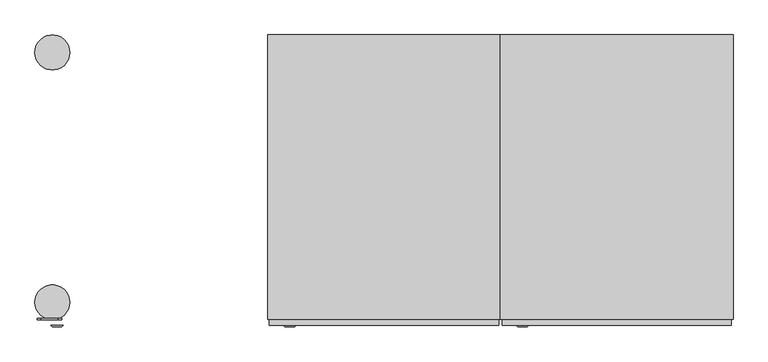
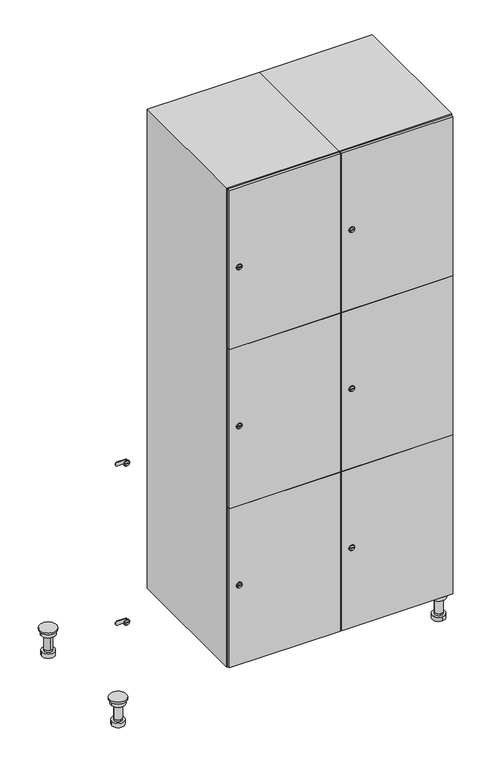
"""IFC4 building model written with IfcOpenShell, lengths in millimetres: furniture geometry."""

from ifc_helpers import new_model, si_unit, point, frame, frame_2d, origin, place, context, project, spatial, polyline, circle_curve, trimmed, segment, composite_curve, outline, extrude, faceted_brep, source, transform, mapped, element, save
from ifc_brep_helpers import plane_surface, cylinder_surface, revolved_surface, advanced_brep


def furniture_39b312ee(model_context):
    return source(origin(), model_context, "Body", "SolidModel", [
        advanced_brep(
        [(970.0, -201.0, 22.0), (970.0, -201.5, 16.0), (970.0, -228.5, 16.0), (970.0, -229.0, 22.0), (956.0, -215.0, 22.0), (984.0, -215.0, 22.0), (970.0, -192.5, 16.0), (970.0, -237.5, 16.0), (970.0, -192.5, 0.0), (970.0, -237.5, 0.0), (984.0, -215.0, 78.0), (956.0, -215.0, 78.0), (995.0, -215.0, 78.0), (945.0, -215.0, 78.0), (1000.0, -215.0, 94.0), (940.0, -215.0, 94.0), (945.0, -215.0, 94.0), (995.0, -215.0, 94.0), (1000.0, -215.0, 100.0), (940.0, -215.0, 100.0)],
        [
            (0, 1),
            (1, 2, circle_curve(frame((970.0, -215.0, 16.0), z_axis=(0.0, 0.0, 1.0), x_axis=(0.0, -1.0, 0.0)), 13.5)),
            (2, 3),
            (3, 4, circle_curve(frame((970.0, -215.0, 22.0), z_axis=(0.0, 0.0, -1.0), x_axis=(0.0, -1.0, 0.0)), 14.0)),
            (4, 0, circle_curve(frame((970.0, -215.0, 22.0), z_axis=(0.0, 0.0, -1.0), x_axis=(0.0, -1.0, 0.0)), 14.0)),
            (0, 5, circle_curve(frame((970.0, -215.0, 22.0), z_axis=(0.0, 0.0, -1.0), x_axis=(0.0, 1.0, 0.0)), 14.0)),
            (5, 3, circle_curve(frame((970.0, -215.0, 22.0), z_axis=(0.0, 0.0, -1.0), x_axis=(0.0, 1.0, 0.0)), 14.0)),
            (2, 1, circle_curve(frame((970.0, -215.0, 16.0), z_axis=(0.0, 0.0, 1.0), x_axis=(0.0, 1.0, 0.0)), 13.5)),
            (6, 7, circle_curve(frame((970.0, -215.0, 16.0), z_axis=(0.0, 0.0, 1.0), x_axis=(0.0, -1.0, 0.0)), 22.5)),
            (7, 6, circle_curve(frame((970.0, -215.0, 16.0), z_axis=(0.0, 0.0, 1.0), x_axis=(0.0, -1.0, 0.0)), 22.5)),
            (8, 9, circle_curve(frame((970.0, -215.0, 0.0), z_axis=(0.0, 0.0, -1.0), x_axis=(0.0, -1.0, 0.0)), 22.5)),
            (9, 8, circle_curve(frame((970.0, -215.0, 0.0), z_axis=(0.0, 0.0, -1.0), x_axis=(0.0, -1.0, 0.0)), 22.5)),
            (6, 8),
            (9, 7),
            (5, 10),
            (10, 11, circle_curve(frame((970.0, -215.0, 78.0), z_axis=(0.0, 0.0, -1.0), x_axis=(-1.0, 0.0, 0.0)), 14.0)),
            (11, 4),
            (11, 10, circle_curve(frame((970.0, -215.0, 78.0), z_axis=(0.0, 0.0, -1.0), x_axis=(-1.0, 0.0, 0.0)), 14.0)),
            (12, 13, circle_curve(frame((970.0, -215.0, 78.0), z_axis=(0.0, 0.0, -1.0), x_axis=(-1.0, 0.0, 0.0)), 25.0)),
            (13, 12, circle_curve(frame((970.0, -215.0, 78.0), z_axis=(0.0, 0.0, -1.0), x_axis=(-1.0, 0.0, 0.0)), 25.0)),
            (14, 15, circle_curve(frame((970.0, -215.0, 94.0), z_axis=(0.0, 0.0, -1.0), x_axis=(-1.0, 0.0, 0.0)), 30.0)),
            (15, 14, circle_curve(frame((970.0, -215.0, 94.0), z_axis=(0.0, 0.0, -1.0), x_axis=(-1.0, 0.0, 0.0)), 30.0)),
            (16, 17, circle_curve(frame((970.0, -215.0, 94.0), z_axis=(0.0, 0.0, 1.0), x_axis=(-1.0, 0.0, 0.0)), 25.0)),
            (17, 16, circle_curve(frame((970.0, -215.0, 94.0), z_axis=(0.0, 0.0, 1.0), x_axis=(-1.0, 0.0, 0.0)), 25.0)),
            (18, 19, circle_curve(frame((970.0, -215.0, 100.0), z_axis=(0.0, 0.0, 1.0), x_axis=(-1.0, 0.0, 0.0)), 30.0)),
            (19, 18, circle_curve(frame((970.0, -215.0, 100.0), z_axis=(0.0, 0.0, 1.0), x_axis=(-1.0, 0.0, 0.0)), 30.0)),
            (14, 18),
            (19, 15),
            (12, 17),
            (16, 13),
        ],
        [
            revolved_surface(polyline([(970.0, -201.5, 16.0), (970.0, -201.0, 22.0)]), (970.0, -215.0, -146.0), (0.0, 0.0, 1.0)),
            plane_surface(frame((970.0, 0.0, 16.0), z_axis=(0.0, 0.0, 1.0), x_axis=(0.0, -1.0, 0.0))),
            plane_surface(frame((970.0, 0.0, 0.0), z_axis=(0.0, 0.0, -1.0), x_axis=(0.0, -1.0, 0.0))),
            cylinder_surface(frame((970.0, -215.0, 16.0), z_axis=(0.0, 0.0, 1.0), x_axis=(0.0, -1.0, 0.0)), 22.5),
            cylinder_surface(frame((970.0, -215.0, 22.0), z_axis=(0.0, 0.0, -1.0), x_axis=(-1.0, 0.0, 0.0)), 14.0),
            plane_surface(frame((970.0, 0.0, 78.0), z_axis=(0.0, 0.0, -1.0), x_axis=(0.0, -1.0, 0.0))),
            plane_surface(frame((970.0, 0.0, 94.0), z_axis=(0.0, 0.0, -1.0), x_axis=(0.0, -1.0, 0.0))),
            plane_surface(frame((970.0, 0.0, 100.0), z_axis=(0.0, 0.0, 1.0), x_axis=(0.0, -1.0, 0.0))),
            cylinder_surface(frame((970.0, -215.0, 94.0), z_axis=(0.0, 0.0, -1.0), x_axis=(-1.0, 0.0, 0.0)), 30.0),
            cylinder_surface(frame((970.0, -215.0, 78.0), z_axis=(0.0, 0.0, -1.0), x_axis=(-1.0, 0.0, 0.0)), 25.0),
        ],
        [
            (0, [[1, 2, 3, 4, 5]]),
            (0, [[-1, 6, 7, -3, 8]]),
            (1, [[9, 10], [-2, -8]]),
            (2, [[11, 12]]),
            (3, [[-9, 13, -12, 14]]),
            (3, [[-10, -14, -11, -13]]),
            (4, [[15, 16, 17, -4, -7]]),
            (4, [[-15, -6, -5, -17, 18]]),
            (5, [[19, 20], [-16, -18]]),
            (6, [[21, 22], [23, 24]]),
            (7, [[25, 26]]),
            (8, [[-21, 27, -26, 28]]),
            (8, [[-22, -28, -25, -27]]),
            (9, [[-19, 29, -23, 30]]),
            (9, [[-20, -30, -24, -29]]),
        ],
    ),
        advanced_brep(
        [(-170.0, -201.0, 22.0), (-170.0, -201.5, 16.0), (-170.0, -228.5, 16.0), (-170.0, -229.0, 22.0), (-184.0, -215.0, 22.0), (-156.0, -215.0, 22.0), (-147.5, -215.0, 0.0), (-192.5, -215.0, 0.0), (-147.5, -215.0, 16.0), (-192.5, -215.0, 16.0), (-156.0, -215.0, 78.0), (-184.0, -215.0, 78.0), (-145.0, -215.0, 78.0), (-195.0, -215.0, 78.0), (-140.0, -215.0, 94.0), (-200.0, -215.0, 94.0), (-195.0, -215.0, 94.0), (-145.0, -215.0, 94.0), (-140.0, -215.0, 100.0), (-200.0, -215.0, 100.0)],
        [
            (0, 1),
            (1, 2, circle_curve(frame((-170.0, -215.0, 16.0), z_axis=(0.0, 0.0, 1.0), x_axis=(0.0, -1.0, 0.0)), 13.5)),
            (2, 3),
            (3, 4, circle_curve(frame((-170.0, -215.0, 22.0), z_axis=(0.0, 0.0, -1.0), x_axis=(0.0, -1.0, 0.0)), 14.0)),
            (4, 0, circle_curve(frame((-170.0, -215.0, 22.0), z_axis=(0.0, 0.0, -1.0), x_axis=(0.0, -1.0, 0.0)), 14.0)),
            (0, 5, circle_curve(frame((-170.0, -215.0, 22.0), z_axis=(0.0, 0.0, -1.0), x_axis=(0.0, 1.0, 0.0)), 14.0)),
            (5, 3, circle_curve(frame((-170.0, -215.0, 22.0), z_axis=(0.0, 0.0, -1.0), x_axis=(0.0, 1.0, 0.0)), 14.0)),
            (2, 1, circle_curve(frame((-170.0, -215.0, 16.0), z_axis=(0.0, 0.0, 1.0), x_axis=(0.0, 1.0, 0.0)), 13.5)),
            (6, 7, circle_curve(frame((-170.0, -215.0, 0.0), z_axis=(0.0, 0.0, -1.0), x_axis=(-1.0, 0.0, 0.0)), 22.5)),
            (7, 6, circle_curve(frame((-170.0, -215.0, 0.0), z_axis=(0.0, 0.0, -1.0), x_axis=(-1.0, 0.0, 0.0)), 22.5)),
            (8, 9, circle_curve(frame((-170.0, -215.0, 16.0), z_axis=(0.0, 0.0, 1.0), x_axis=(-1.0, 0.0, 0.0)), 22.5)),
            (9, 8, circle_curve(frame((-170.0, -215.0, 16.0), z_axis=(0.0, 0.0, 1.0), x_axis=(-1.0, 0.0, 0.0)), 22.5)),
            (6, 8),
            (9, 7),
            (5, 10),
            (10, 11, circle_curve(frame((-170.0, -215.0, 78.0), z_axis=(0.0, 0.0, -1.0), x_axis=(-1.0, 0.0, 0.0)), 14.0)),
            (11, 4),
            (11, 10, circle_curve(frame((-170.0, -215.0, 78.0), z_axis=(0.0, 0.0, -1.0), x_axis=(-1.0, 0.0, 0.0)), 14.0)),
            (12, 13, circle_curve(frame((-170.0, -215.0, 78.0), z_axis=(0.0, 0.0, -1.0), x_axis=(-1.0, 0.0, 0.0)), 25.0)),
            (13, 12, circle_curve(frame((-170.0, -215.0, 78.0), z_axis=(0.0, 0.0, -1.0), x_axis=(-1.0, 0.0, 0.0)), 25.0)),
            (14, 15, circle_curve(frame((-170.0, -215.0, 94.0), z_axis=(0.0, 0.0, -1.0), x_axis=(-1.0, 0.0, 0.0)), 30.0)),
            (15, 14, circle_curve(frame((-170.0, -215.0, 94.0), z_axis=(0.0, 0.0, -1.0), x_axis=(-1.0, 0.0, 0.0)), 30.0)),
            (16, 17, circle_curve(frame((-170.0, -215.0, 94.0), z_axis=(0.0, 0.0, 1.0), x_axis=(-1.0, 0.0, 0.0)), 25.0)),
            (17, 16, circle_curve(frame((-170.0, -215.0, 94.0), z_axis=(0.0, 0.0, 1.0), x_axis=(-1.0, 0.0, 0.0)), 25.0)),
            (18, 19, circle_curve(frame((-170.0, -215.0, 100.0), z_axis=(0.0, 0.0, 1.0), x_axis=(-1.0, 0.0, 0.0)), 30.0)),
            (19, 18, circle_curve(frame((-170.0, -215.0, 100.0), z_axis=(0.0, 0.0, 1.0), x_axis=(-1.0, 0.0, 0.0)), 30.0)),
            (14, 18),
            (19, 15),
            (12, 17),
            (16, 13),
        ],
        [
            revolved_surface(polyline([(-170.0, -201.5, 16.0), (-170.0, -201.0, 22.0)]), (-170.0, -215.0, -146.0), (0.0, 0.0, 1.0)),
            plane_surface(frame((-170.0, 0.0, 0.0), z_axis=(0.0, 0.0, -1.0), x_axis=(0.0, -1.0, 0.0))),
            plane_surface(frame((-170.0, 0.0, 16.0), z_axis=(0.0, 0.0, 1.0), x_axis=(0.0, -1.0, 0.0))),
            cylinder_surface(frame((-170.0, -215.0, 0.0), z_axis=(0.0, 0.0, -1.0), x_axis=(-1.0, 0.0, 0.0)), 22.5),
            cylinder_surface(frame((-170.0, -215.0, 22.0), z_axis=(0.0, 0.0, -1.0), x_axis=(-1.0, 0.0, 0.0)), 14.0),
            plane_surface(frame((-170.0, 0.0, 78.0), z_axis=(0.0, 0.0, -1.0), x_axis=(0.0, -1.0, 0.0))),
            plane_surface(frame((-170.0, 0.0, 94.0), z_axis=(0.0, 0.0, -1.0), x_axis=(0.0, -1.0, 0.0))),
            plane_surface(frame((-170.0, 0.0, 100.0), z_axis=(0.0, 0.0, 1.0), x_axis=(0.0, -1.0, 0.0))),
            cylinder_surface(frame((-170.0, -215.0, 94.0), z_axis=(0.0, 0.0, -1.0), x_axis=(-1.0, 0.0, 0.0)), 30.0),
            cylinder_surface(frame((-170.0, -215.0, 78.0), z_axis=(0.0, 0.0, -1.0), x_axis=(-1.0, 0.0, 0.0)), 25.0),
        ],
        [
            (0, [[1, 2, 3, 4, 5]]),
            (0, [[-1, 6, 7, -3, 8]]),
            (1, [[9, 10]]),
            (2, [[11, 12], [-2, -8]]),
            (3, [[-9, 13, -12, 14]]),
            (3, [[-10, -14, -11, -13]]),
            (4, [[15, 16, 17, -4, -7]]),
            (4, [[-15, -6, -5, -17, 18]]),
            (5, [[19, 20], [-16, -18]]),
            (6, [[21, 22], [23, 24]]),
            (7, [[25, 26]]),
            (8, [[-21, 27, -26, 28]]),
            (8, [[-22, -28, -25, -27]]),
            (9, [[-19, 29, -23, 30]]),
            (9, [[-20, -30, -24, -29]]),
        ],
    ),
        advanced_brep(
        [(983.5, 215.0, 16.0), (984.0, 215.0, 22.0), (956.0, 215.0, 22.0), (956.5, 215.0, 16.0), (992.5, 215.0, 0.0), (947.5, 215.0, 0.0), (992.5, 215.0, 16.0), (947.5, 215.0, 16.0), (984.0, 215.0, 78.0), (956.0, 215.0, 78.0), (995.0, 215.0, 78.0), (945.0, 215.0, 78.0), (1000.0, 215.0, 94.0), (940.0, 215.0, 94.0), (945.0, 215.0, 94.0), (995.0, 215.0, 94.0), (1000.0, 215.0, 100.0), (940.0, 215.0, 100.0)],
        [
            (0, 1),
            (1, 2, circle_curve(frame((970.0, 215.0, 22.0), z_axis=(0.0, 0.0, -1.0), x_axis=(-1.0, 0.0, 0.0)), 14.0)),
            (2, 3),
            (3, 0, circle_curve(frame((970.0, 215.0, 16.0), z_axis=(0.0, 0.0, 1.0), x_axis=(-1.0, 0.0, 0.0)), 13.5)),
            (0, 3, circle_curve(frame((970.0, 215.0, 16.0), z_axis=(0.0, 0.0, 1.0), x_axis=(1.0, 0.0, 0.0)), 13.5)),
            (2, 1, circle_curve(frame((970.0, 215.0, 22.0), z_axis=(0.0, 0.0, -1.0), x_axis=(1.0, 0.0, 0.0)), 14.0)),
            (4, 5, circle_curve(frame((970.0, 215.0, 0.0), z_axis=(0.0, 0.0, -1.0), x_axis=(-1.0, 0.0, 0.0)), 22.5)),
            (5, 4, circle_curve(frame((970.0, 215.0, 0.0), z_axis=(0.0, 0.0, -1.0), x_axis=(-1.0, 0.0, 0.0)), 22.5)),
            (6, 7, circle_curve(frame((970.0, 215.0, 16.0), z_axis=(0.0, 0.0, 1.0), x_axis=(-1.0, 0.0, 0.0)), 22.5)),
            (7, 6, circle_curve(frame((970.0, 215.0, 16.0), z_axis=(0.0, 0.0, 1.0), x_axis=(-1.0, 0.0, 0.0)), 22.5)),
            (4, 6),
            (7, 5),
            (1, 8),
            (8, 9, circle_curve(frame((970.0, 215.0, 78.0), z_axis=(0.0, 0.0, -1.0), x_axis=(-1.0, 0.0, 0.0)), 14.0)),
            (9, 2),
            (9, 8, circle_curve(frame((970.0, 215.0, 78.0), z_axis=(0.0, 0.0, -1.0), x_axis=(-1.0, 0.0, 0.0)), 14.0)),
            (10, 11, circle_curve(frame((970.0, 215.0, 78.0), z_axis=(0.0, 0.0, -1.0), x_axis=(-1.0, 0.0, 0.0)), 25.0)),
            (11, 10, circle_curve(frame((970.0, 215.0, 78.0), z_axis=(0.0, 0.0, -1.0), x_axis=(-1.0, 0.0, 0.0)), 25.0)),
            (12, 13, circle_curve(frame((970.0, 215.0, 94.0), z_axis=(0.0, 0.0, -1.0), x_axis=(-1.0, 0.0, 0.0)), 30.0)),
            (13, 12, circle_curve(frame((970.0, 215.0, 94.0), z_axis=(0.0, 0.0, -1.0), x_axis=(-1.0, 0.0, 0.0)), 30.0)),
            (14, 15, circle_curve(frame((970.0, 215.0, 94.0), z_axis=(0.0, 0.0, 1.0), x_axis=(-1.0, 0.0, 0.0)), 25.0)),
            (15, 14, circle_curve(frame((970.0, 215.0, 94.0), z_axis=(0.0, 0.0, 1.0), x_axis=(-1.0, 0.0, 0.0)), 25.0)),
            (16, 17, circle_curve(frame((970.0, 215.0, 100.0), z_axis=(0.0, 0.0, 1.0), x_axis=(-1.0, 0.0, 0.0)), 30.0)),
            (17, 16, circle_curve(frame((970.0, 215.0, 100.0), z_axis=(0.0, 0.0, 1.0), x_axis=(-1.0, 0.0, 0.0)), 30.0)),
            (12, 16),
            (17, 13),
            (10, 15),
            (14, 11),
        ],
        [
            revolved_surface(polyline([(983.5, 215.0, 16.0), (984.0, 215.0, 22.0)]), (970.0, 215.0, -146.0), (0.0, 0.0, 1.0)),
            plane_surface(frame((970.0, 0.0, 0.0), z_axis=(0.0, 0.0, -1.0), x_axis=(0.0, -1.0, 0.0))),
            plane_surface(frame((970.0, 0.0, 16.0), z_axis=(0.0, 0.0, 1.0), x_axis=(0.0, -1.0, 0.0))),
            cylinder_surface(frame((970.0, 215.0, 0.0), z_axis=(0.0, 0.0, -1.0), x_axis=(-1.0, 0.0, 0.0)), 22.5),
            cylinder_surface(frame((970.0, 215.0, 22.0), z_axis=(0.0, 0.0, -1.0), x_axis=(-1.0, 0.0, 0.0)), 14.0),
            plane_surface(frame((970.0, 0.0, 78.0), z_axis=(0.0, 0.0, -1.0), x_axis=(0.0, -1.0, 0.0))),
            plane_surface(frame((970.0, 0.0, 94.0), z_axis=(0.0, 0.0, -1.0), x_axis=(0.0, -1.0, 0.0))),
            plane_surface(frame((970.0, 0.0, 100.0), z_axis=(0.0, 0.0, 1.0), x_axis=(0.0, -1.0, 0.0))),
            cylinder_surface(frame((970.0, 215.0, 94.0), z_axis=(0.0, 0.0, -1.0), x_axis=(-1.0, 0.0, 0.0)), 30.0),
            cylinder_surface(frame((970.0, 215.0, 78.0), z_axis=(0.0, 0.0, -1.0), x_axis=(-1.0, 0.0, 0.0)), 25.0),
        ],
        [
            (0, [[1, 2, 3, 4]]),
            (0, [[-1, 5, -3, 6]]),
            (1, [[7, 8]]),
            (2, [[9, 10], [-4, -5]]),
            (3, [[-7, 11, -10, 12]]),
            (3, [[-8, -12, -9, -11]]),
            (4, [[13, 14, 15, -2]]),
            (4, [[-13, -6, -15, 16]]),
            (5, [[17, 18], [-14, -16]]),
            (6, [[19, 20], [21, 22]]),
            (7, [[23, 24]]),
            (8, [[-19, 25, -24, 26]]),
            (8, [[-20, -26, -23, -25]]),
            (9, [[-17, 27, -21, 28]]),
            (9, [[-18, -28, -22, -27]]),
        ],
    ),
        advanced_brep(
        [(-156.5, 215.0, 16.0), (-156.0, 215.0, 22.0), (-170.0, 201.0, 22.0), (-184.0, 215.0, 22.0), (-183.5, 215.0, 16.0), (-170.0, 229.0, 22.0), (-147.5, 215.0, 0.0), (-192.5, 215.0, 0.0), (-147.5, 215.0, 16.0), (-192.5, 215.0, 16.0), (-170.0, 229.0, 78.0), (-170.0, 201.0, 78.0), (-145.0, 215.0, 78.0), (-195.0, 215.0, 78.0), (-140.0, 215.0, 94.0), (-200.0, 215.0, 94.0), (-195.0, 215.0, 94.0), (-145.0, 215.0, 94.0), (-140.0, 215.0, 100.0), (-200.0, 215.0, 100.0)],
        [
            (0, 1),
            (1, 2, circle_curve(frame((-170.0, 215.0, 22.0), z_axis=(0.0, 0.0, -1.0), x_axis=(-1.0, 0.0, 0.0)), 14.0)),
            (2, 3, circle_curve(frame((-170.0, 215.0, 22.0), z_axis=(0.0, 0.0, -1.0), x_axis=(-1.0, 0.0, 0.0)), 14.0)),
            (3, 4),
            (4, 0, circle_curve(frame((-170.0, 215.0, 16.0), z_axis=(0.0, 0.0, 1.0), x_axis=(-1.0, 0.0, 0.0)), 13.5)),
            (0, 4, circle_curve(frame((-170.0, 215.0, 16.0), z_axis=(0.0, 0.0, 1.0), x_axis=(1.0, 0.0, 0.0)), 13.5)),
            (3, 5, circle_curve(frame((-170.0, 215.0, 22.0), z_axis=(0.0, 0.0, -1.0), x_axis=(1.0, 0.0, 0.0)), 14.0)),
            (5, 1, circle_curve(frame((-170.0, 215.0, 22.0), z_axis=(0.0, 0.0, -1.0), x_axis=(1.0, 0.0, 0.0)), 14.0)),
            (6, 7, circle_curve(frame((-170.0, 215.0, 0.0), z_axis=(0.0, 0.0, -1.0), x_axis=(-1.0, 0.0, 0.0)), 22.5)),
            (7, 6, circle_curve(frame((-170.0, 215.0, 0.0), z_axis=(0.0, 0.0, -1.0), x_axis=(-1.0, 0.0, 0.0)), 22.5)),
            (8, 9, circle_curve(frame((-170.0, 215.0, 16.0), z_axis=(0.0, 0.0, 1.0), x_axis=(-1.0, 0.0, 0.0)), 22.5)),
            (9, 8, circle_curve(frame((-170.0, 215.0, 16.0), z_axis=(0.0, 0.0, 1.0), x_axis=(-1.0, 0.0, 0.0)), 22.5)),
            (6, 8),
            (9, 7),
            (10, 5),
            (2, 11),
            (11, 10, circle_curve(frame((-170.0, 215.0, 78.0), z_axis=(0.0, 0.0, -1.0), x_axis=(0.0, -1.0, 0.0)), 14.0)),
            (10, 11, circle_curve(frame((-170.0, 215.0, 78.0), z_axis=(0.0, 0.0, -1.0), x_axis=(0.0, -1.0, 0.0)), 14.0)),
            (12, 13, circle_curve(frame((-170.0, 215.0, 78.0), z_axis=(0.0, 0.0, -1.0), x_axis=(-1.0, 0.0, 0.0)), 25.0)),
            (13, 12, circle_curve(frame((-170.0, 215.0, 78.0), z_axis=(0.0, 0.0, -1.0), x_axis=(-1.0, 0.0, 0.0)), 25.0)),
            (14, 15, circle_curve(frame((-170.0, 215.0, 94.0), z_axis=(0.0, 0.0, -1.0), x_axis=(-1.0, 0.0, 0.0)), 30.0)),
            (15, 14, circle_curve(frame((-170.0, 215.0, 94.0), z_axis=(0.0, 0.0, -1.0), x_axis=(-1.0, 0.0, 0.0)), 30.0)),
            (16, 17, circle_curve(frame((-170.0, 215.0, 94.0), z_axis=(0.0, 0.0, 1.0), x_axis=(-1.0, 0.0, 0.0)), 25.0)),
            (17, 16, circle_curve(frame((-170.0, 215.0, 94.0), z_axis=(0.0, 0.0, 1.0), x_axis=(-1.0, 0.0, 0.0)), 25.0)),
            (18, 19, circle_curve(frame((-170.0, 215.0, 100.0), z_axis=(0.0, 0.0, 1.0), x_axis=(-1.0, 0.0, 0.0)), 30.0)),
            (19, 18, circle_curve(frame((-170.0, 215.0, 100.0), z_axis=(0.0, 0.0, 1.0), x_axis=(-1.0, 0.0, 0.0)), 30.0)),
            (14, 18),
            (19, 15),
            (12, 17),
            (16, 13),
        ],
        [
            revolved_surface(polyline([(-156.5, 215.0, 16.0), (-156.0, 215.0, 22.0)]), (-170.0, 215.0, -146.0), (0.0, 0.0, 1.0)),
            plane_surface(frame((-170.0, 0.0, 0.0), z_axis=(0.0, 0.0, -1.0), x_axis=(0.0, -1.0, 0.0))),
            plane_surface(frame((-170.0, 0.0, 16.0), z_axis=(0.0, 0.0, 1.0), x_axis=(0.0, -1.0, 0.0))),
            cylinder_surface(frame((-170.0, 215.0, 0.0), z_axis=(0.0, 0.0, -1.0), x_axis=(-1.0, 0.0, 0.0)), 22.5),
            cylinder_surface(frame((-170.0, 215.0, 78.0), z_axis=(0.0, 0.0, 1.0), x_axis=(0.0, -1.0, 0.0)), 14.0),
            plane_surface(frame((-170.0, 0.0, 78.0), z_axis=(0.0, 0.0, -1.0), x_axis=(0.0, -1.0, 0.0))),
            plane_surface(frame((-170.0, 0.0, 94.0), z_axis=(0.0, 0.0, -1.0), x_axis=(0.0, -1.0, 0.0))),
            plane_surface(frame((-170.0, 0.0, 100.0), z_axis=(0.0, 0.0, 1.0), x_axis=(0.0, -1.0, 0.0))),
            cylinder_surface(frame((-170.0, 215.0, 94.0), z_axis=(0.0, 0.0, -1.0), x_axis=(-1.0, 0.0, 0.0)), 30.0),
            cylinder_surface(frame((-170.0, 215.0, 78.0), z_axis=(0.0, 0.0, -1.0), x_axis=(-1.0, 0.0, 0.0)), 25.0),
        ],
        [
            (0, [[1, 2, 3, 4, 5]]),
            (0, [[-1, 6, -4, 7, 8]]),
            (1, [[9, 10]]),
            (2, [[11, 12], [-5, -6]]),
            (3, [[-9, 13, -12, 14]]),
            (3, [[-10, -14, -11, -13]]),
            (4, [[15, -7, -3, 16, 17]]),
            (4, [[-15, 18, -16, -2, -8]]),
            (5, [[19, 20], [-17, -18]]),
            (6, [[21, 22], [23, 24]]),
            (7, [[25, 26]]),
            (8, [[-21, 27, -26, 28]]),
            (8, [[-22, -28, -25, -27]]),
            (9, [[-19, 29, -23, 30]]),
            (9, [[-20, -30, -24, -29]]),
        ],
    ),
        extrude(outline(composite_curve([segment(trimmed(circle_curve(frame_2d((402.0, 611.2010534)), 7.0), [point((409.0, 611.2010534))], [point((395.0, 611.2010534))], False, "CARTESIAN"), True, "CONTINUOUS"), segment(polyline([(395.0, 611.2010534), (395.0, 639.2010534)]), True, "CONTINUOUS"), segment(trimmed(circle_curve(frame_2d((402.0, 639.2010534)), 7.0), [point((395.0, 639.2010534))], [point((409.0, 639.2010534))], False, "CARTESIAN"), True, "CONTINUOUS"), segment(polyline([(409.0, 639.2010534), (409.0, 611.2010534)]), True, "CONTINUOUS")], self_intersect=False)), frame((0.0, -245.0, 0.0), z_axis=(0.0, 1.0, 0.0), x_axis=(0.0, 0.0, 1.0)), (0.0, 0.0, 1.0), 2.0),
        advanced_brep(
        [(646.5, -257.2, 402.0), (629.5, -257.2, 402.0), (633.0, -257.2, 400.75), (633.0, -257.2, 403.25), (643.0, -257.2, 403.25), (643.0, -257.2, 400.75), (648.5, -255.0, 402.0), (627.5, -255.0, 402.0), (633.0, -255.0, 403.25), (633.0, -255.0, 400.75), (643.0, -255.0, 400.75), (643.0, -255.0, 403.25)],
        [
            (0, 1, circle_curve(frame((638.0, -257.2, 402.0), z_axis=(0.0, -1.0, 0.0), x_axis=(1.0, 0.0, 0.0)), 8.5)),
            (1, 0, circle_curve(frame((638.0, -257.2, 402.0), z_axis=(0.0, -1.0, 0.0), x_axis=(-1.0, 0.0, 0.0)), 8.5)),
            (2, 3),
            (3, 4),
            (4, 5),
            (5, 2),
            (6, 7, circle_curve(frame((638.0, -255.0, 402.0), z_axis=(0.0, 1.0, 0.0), x_axis=(-1.0, 0.0, 0.0)), 10.5)),
            (7, 6, circle_curve(frame((638.0, -255.0, 402.0), z_axis=(0.0, 1.0, 0.0), x_axis=(1.0, 0.0, 0.0)), 10.5)),
            (8, 9),
            (9, 10),
            (10, 11),
            (11, 8),
            (0, 6),
            (7, 1),
            (8, 3),
            (2, 9),
            (11, 4),
            (10, 5),
        ],
        [
            plane_surface(frame((638.0, -257.2, 402.0), z_axis=(0.0, -1.0, 0.0), x_axis=(0.0, 0.0, 1.0))),
            plane_surface(frame((638.0, -255.0, 402.0), z_axis=(0.0, 1.0, 0.0), x_axis=(0.0, 0.0, 1.0))),
            revolved_surface(polyline([(646.5, -257.2, 402.0), (648.5, -255.0, 402.0)]), (638.0, -266.55, 402.0), (0.0, 1.0, 0.0)),
            revolved_surface(polyline([(629.5, -257.2, 402.0), (627.5, -255.0, 402.0)]), (638.0, -266.55, 402.0), (0.0, 1.0, 0.0)),
            plane_surface(frame((633.0, -255.0, 400.75), z_axis=(1.0, 0.0, 0.0), x_axis=(0.0, -1.0, 0.0))),
            plane_surface(frame((633.0, -255.0, 403.25), z_axis=(0.0, 0.0, -1.0), x_axis=(0.0, -1.0, 0.0))),
            plane_surface(frame((643.0, -255.0, 403.25), z_axis=(-1.0, 0.0, 0.0), x_axis=(0.0, -1.0, 0.0))),
            plane_surface(frame((643.0, -255.0, 400.75), z_axis=(0.0, 0.0, 1.0), x_axis=(0.0, -1.0, 0.0))),
        ],
        [
            (0, [[1, 2], [3, 4, 5, 6]]),
            (1, [[7, 8], [9, 10, 11, 12]]),
            (2, [[-1, 13, -8, 14]]),
            (3, [[-2, -14, -7, -13]]),
            (4, [[15, -3, 16, -9]]),
            (5, [[-15, -12, 17, -4]]),
            (6, [[-17, -11, 18, -5]]),
            (7, [[-16, -6, -18, -10]]),
        ],
    ),
        extrude(outline(composite_curve([segment(trimmed(circle_curve(frame_2d((1000.0, 611.2010534)), 7.0), [point((1007.0, 611.2010534))], [point((993.0, 611.2010534))], False, "CARTESIAN"), True, "CONTINUOUS"), segment(polyline([(993.0, 611.2010534), (993.0, 639.2010534)]), True, "CONTINUOUS"), segment(trimmed(circle_curve(frame_2d((1000.0, 639.2010534)), 7.0), [point((993.0, 639.2010534))], [point((1007.0, 639.2010534))], False, "CARTESIAN"), True, "CONTINUOUS"), segment(polyline([(1007.0, 639.2010534), (1007.0, 611.2010534)]), True, "CONTINUOUS")], self_intersect=False)), frame((0.0, -245.0, 0.0), z_axis=(0.0, 1.0, 0.0), x_axis=(0.0, 0.0, 1.0)), (0.0, 0.0, 1.0), 2.0),
        advanced_brep(
        [(646.5, -257.2, 1000.0), (629.5, -257.2, 1000.0), (633.0, -257.2, 998.75), (633.0, -257.2, 1001.25), (643.0, -257.2, 1001.25), (643.0, -257.2, 998.75), (648.5, -255.0, 1000.0), (627.5, -255.0, 1000.0), (633.0, -255.0, 1001.25), (633.0, -255.0, 998.75), (643.0, -255.0, 998.75), (643.0, -255.0, 1001.25)],
        [
            (0, 1, circle_curve(frame((638.0, -257.2, 1000.0), z_axis=(0.0, -1.0, 0.0), x_axis=(1.0, 0.0, 0.0)), 8.5)),
            (1, 0, circle_curve(frame((638.0, -257.2, 1000.0), z_axis=(0.0, -1.0, 0.0), x_axis=(-1.0, 0.0, 0.0)), 8.5)),
            (2, 3),
            (3, 4),
            (4, 5),
            (5, 2),
            (6, 7, circle_curve(frame((638.0, -255.0, 1000.0), z_axis=(0.0, 1.0, 0.0), x_axis=(-1.0, 0.0, 0.0)), 10.5)),
            (7, 6, circle_curve(frame((638.0, -255.0, 1000.0), z_axis=(0.0, 1.0, 0.0), x_axis=(1.0, 0.0, 0.0)), 10.5)),
            (8, 9),
            (9, 10),
            (10, 11),
            (11, 8),
            (0, 6),
            (7, 1),
            (8, 3),
            (2, 9),
            (11, 4),
            (10, 5),
        ],
        [
            plane_surface(frame((638.0, -257.2, 1000.0), z_axis=(0.0, -1.0, 0.0), x_axis=(0.0, 0.0, 1.0))),
            plane_surface(frame((638.0, -255.0, 1000.0), z_axis=(0.0, 1.0, 0.0), x_axis=(0.0, 0.0, 1.0))),
            revolved_surface(polyline([(646.5, -257.2, 1000.0), (648.5, -255.0, 1000.0)]), (638.0, -266.55, 1000.0), (0.0, 1.0, 0.0)),
            revolved_surface(polyline([(629.5, -257.2, 1000.0), (627.5, -255.0, 1000.0)]), (638.0, -266.55, 1000.0), (0.0, 1.0, 0.0)),
            plane_surface(frame((633.0, -255.0, 998.75), z_axis=(1.0, 0.0, 0.0), x_axis=(0.0, -1.0, 0.0))),
            plane_surface(frame((633.0, -255.0, 1001.25), z_axis=(0.0, 0.0, -1.0), x_axis=(0.0, -1.0, 0.0))),
            plane_surface(frame((643.0, -255.0, 1001.25), z_axis=(-1.0, 0.0, 0.0), x_axis=(0.0, -1.0, 0.0))),
            plane_surface(frame((643.0, -255.0, 998.75), z_axis=(0.0, 0.0, 1.0), x_axis=(0.0, -1.0, 0.0))),
        ],
        [
            (0, [[1, 2], [3, 4, 5, 6]]),
            (1, [[7, 8], [9, 10, 11, 12]]),
            (2, [[-1, 13, -8, 14]]),
            (3, [[-2, -14, -7, -13]]),
            (4, [[15, -3, 16, -9]]),
            (5, [[-15, -12, 17, -4]]),
            (6, [[-17, -11, 18, -5]]),
            (7, [[-16, -6, -18, -10]]),
        ],
    ),
        extrude(outline(composite_curve([segment(trimmed(circle_curve(frame_2d((1598.0, 611.2010534)), 7.0), [point((1605.0, 611.2010534))], [point((1591.0, 611.2010534))], False, "CARTESIAN"), True, "CONTINUOUS"), segment(polyline([(1591.0, 611.2010534), (1591.0, 639.2010534)]), True, "CONTINUOUS"), segment(trimmed(circle_curve(frame_2d((1598.0, 639.2010534)), 7.0), [point((1591.0, 639.2010534))], [point((1605.0, 639.2010534))], False, "CARTESIAN"), True, "CONTINUOUS"), segment(polyline([(1605.0, 639.2010534), (1605.0, 611.2010534)]), True, "CONTINUOUS")], self_intersect=False)), frame((0.0, -245.0, 0.0), z_axis=(0.0, 1.0, 0.0), x_axis=(0.0, 0.0, 1.0)), (0.0, 0.0, 1.0), 2.0),
        advanced_brep(
        [(646.5, -257.2, 1598.0), (629.5, -257.2, 1598.0), (633.0, -257.2, 1596.75), (633.0, -257.2, 1599.25), (643.0, -257.2, 1599.25), (643.0, -257.2, 1596.75), (648.5, -255.0, 1598.0), (627.5, -255.0, 1598.0), (633.0, -255.0, 1599.25), (633.0, -255.0, 1596.75), (643.0, -255.0, 1596.75), (643.0, -255.0, 1599.25)],
        [
            (0, 1, circle_curve(frame((638.0, -257.2, 1598.0), z_axis=(0.0, -1.0, 0.0), x_axis=(1.0, 0.0, 0.0)), 8.5)),
            (1, 0, circle_curve(frame((638.0, -257.2, 1598.0), z_axis=(0.0, -1.0, 0.0), x_axis=(-1.0, 0.0, 0.0)), 8.5)),
            (2, 3),
            (3, 4),
            (4, 5),
            (5, 2),
            (6, 7, circle_curve(frame((638.0, -255.0, 1598.0), z_axis=(0.0, 1.0, 0.0), x_axis=(-1.0, 0.0, 0.0)), 10.5)),
            (7, 6, circle_curve(frame((638.0, -255.0, 1598.0), z_axis=(0.0, 1.0, 0.0), x_axis=(1.0, 0.0, 0.0)), 10.5)),
            (8, 9),
            (9, 10),
            (10, 11),
            (11, 8),
            (0, 6),
            (7, 1),
            (8, 3),
            (2, 9),
            (11, 4),
            (10, 5),
        ],
        [
            plane_surface(frame((638.0, -257.2, 1598.0), z_axis=(0.0, -1.0, 0.0), x_axis=(0.0, 0.0, 1.0))),
            plane_surface(frame((638.0, -255.0, 1598.0), z_axis=(0.0, 1.0, 0.0), x_axis=(0.0, 0.0, 1.0))),
            revolved_surface(polyline([(646.5, -257.2, 1598.0), (648.5, -255.0, 1598.0)]), (638.0, -266.55, 1598.0), (0.0, 1.0, 0.0)),
            revolved_surface(polyline([(629.5, -257.2, 1598.0), (627.5, -255.0, 1598.0)]), (638.0, -266.55, 1598.0), (0.0, 1.0, 0.0)),
            plane_surface(frame((633.0, -255.0, 1596.75), z_axis=(1.0, 0.0, 0.0), x_axis=(0.0, -1.0, 0.0))),
            plane_surface(frame((633.0, -255.0, 1599.25), z_axis=(0.0, 0.0, -1.0), x_axis=(0.0, -1.0, 0.0))),
            plane_surface(frame((643.0, -255.0, 1599.25), z_axis=(-1.0, 0.0, 0.0), x_axis=(0.0, -1.0, 0.0))),
            plane_surface(frame((643.0, -255.0, 1596.75), z_axis=(0.0, 0.0, 1.0), x_axis=(0.0, -1.0, 0.0))),
        ],
        [
            (0, [[1, 2], [3, 4, 5, 6]]),
            (1, [[7, 8], [9, 10, 11, 12]]),
            (2, [[-1, 13, -8, 14]]),
            (3, [[-2, -14, -7, -13]]),
            (4, [[15, -3, 16, -9]]),
            (5, [[-15, -12, 17, -4]]),
            (6, [[-17, -11, 18, -5]]),
            (7, [[-16, -6, -18, -10]]),
        ],
    ),
        extrude(outline(polyline([(997.0, -245.0), (997.0, -255.0), (603.0, -255.0), (603.0, -245.0), (997.0, -245.0)])), frame((0.0, 0.0, 701.5), z_axis=(0.0, 0.0, 1.0), x_axis=(1.0, 0.0, 0.0)), (0.0, 0.0, 1.0), 597.0),
        extrude(outline(polyline([(603.0, -255.0), (603.0, -245.0), (997.0, -245.0), (997.0, -255.0), (603.0, -255.0)])), frame((0.0, 0.0, 1299.5), z_axis=(0.0, 0.0, 1.0), x_axis=(1.0, 0.0, 0.0)), (0.0, 0.0, 1.0), 597.5),
        extrude(outline(polyline([(997.0, -245.0), (997.0, -255.0), (603.0, -255.0), (603.0, -245.0), (997.0, -245.0)])), frame((0.0, 0.0, 103.0), z_axis=(0.0, 0.0, 1.0), x_axis=(1.0, 0.0, 0.0)), (0.0, 0.0, 1.0), 597.5),
        extrude(outline(polyline([(990.0, 241.0), (990.0, -235.0), (610.0, -235.0), (610.0, 241.0), (990.0, 241.0)])), frame((0.0, 0.0, 1291.6666667), z_axis=(0.0, 0.0, 1.0), x_axis=(1.0, 0.0, 0.0)), (0.0, 0.0, 1.0), 10.0),
        extrude(outline(polyline([(610.0, 241.0), (990.0, 241.0), (990.0, -235.0), (610.0, -235.0), (610.0, 241.0)])), frame((0.0, 0.0, 698.3333333), z_axis=(0.0, 0.0, 1.0), x_axis=(1.0, 0.0, 0.0)), (0.0, 0.0, 1.0), 10.0),
        faceted_brep([(1000.0, -245.0, 100.0), (1000.0, -245.0, 1900.0), (600.0, -245.0, 1900.0), (600.0, -245.0, 100.0), (990.0, -245.0, 1890.0), (990.0, -245.0, 110.0), (610.0, -245.0, 110.0), (610.0, -245.0, 1890.0), (1000.0, 245.0, 100.0), (600.0, 245.0, 100.0), (1000.0, 245.0, 1900.0), (600.0, 245.0, 1900.0), (990.0, 241.0, 1890.0), (990.0, 241.0, 110.0), (600.0, 245.0, 1890.0), (610.0, 241.0, 1890.0), (610.0, 241.0, 110.0)], [[[0, 1, 2, 3], [4, 5, 6, 7]], [[8, 0, 3, 9]], [[1, 0, 8, 10]], [[1, 10, 11, 2]], [[4, 12, 13, 5]], [[9, 3, 2, 11, 14]], [[10, 8, 9, 14, 11]], [[12, 15, 16, 13]], [[15, 7, 6, 16]], [[4, 7, 15, 12]], [[6, 5, 13, 16]]]),
        extrude(outline(composite_curve([segment(trimmed(circle_curve(frame_2d((402.0, 211.2010534)), 7.0), [point((409.0, 211.2010534))], [point((395.0, 211.2010534))], False, "CARTESIAN"), True, "CONTINUOUS"), segment(polyline([(395.0, 211.2010534), (395.0, 239.2010534)]), True, "CONTINUOUS"), segment(trimmed(circle_curve(frame_2d((402.0, 239.2010534)), 7.0), [point((395.0, 239.2010534))], [point((409.0, 239.2010534))], False, "CARTESIAN"), True, "CONTINUOUS"), segment(polyline([(409.0, 239.2010534), (409.0, 211.2010534)]), True, "CONTINUOUS")], self_intersect=False)), frame((0.0, -245.0, 0.0), z_axis=(0.0, 1.0, 0.0), x_axis=(0.0, 0.0, 1.0)), (0.0, 0.0, 1.0), 2.0),
        advanced_brep(
        [(246.5, -257.2, 402.0), (229.5, -257.2, 402.0), (233.0, -257.2, 400.75), (233.0, -257.2, 403.25), (243.0, -257.2, 403.25), (243.0, -257.2, 400.75), (248.5, -255.0, 402.0), (227.5, -255.0, 402.0), (233.0, -255.0, 403.25), (233.0, -255.0, 400.75), (243.0, -255.0, 400.75), (243.0, -255.0, 403.25)],
        [
            (0, 1, circle_curve(frame((238.0, -257.2, 402.0), z_axis=(0.0, -1.0, 0.0), x_axis=(1.0, 0.0, 0.0)), 8.5)),
            (1, 0, circle_curve(frame((238.0, -257.2, 402.0), z_axis=(0.0, -1.0, 0.0), x_axis=(-1.0, 0.0, 0.0)), 8.5)),
            (2, 3),
            (3, 4),
            (4, 5),
            (5, 2),
            (6, 7, circle_curve(frame((238.0, -255.0, 402.0), z_axis=(0.0, 1.0, 0.0), x_axis=(-1.0, 0.0, 0.0)), 10.5)),
            (7, 6, circle_curve(frame((238.0, -255.0, 402.0), z_axis=(0.0, 1.0, 0.0), x_axis=(1.0, 0.0, 0.0)), 10.5)),
            (8, 9),
            (9, 10),
            (10, 11),
            (11, 8),
            (0, 6),
            (7, 1),
            (8, 3),
            (2, 9),
            (11, 4),
            (10, 5),
        ],
        [
            plane_surface(frame((238.0, -257.2, 402.0), z_axis=(0.0, -1.0, 0.0), x_axis=(0.0, 0.0, 1.0))),
            plane_surface(frame((238.0, -255.0, 402.0), z_axis=(0.0, 1.0, 0.0), x_axis=(0.0, 0.0, 1.0))),
            revolved_surface(polyline([(246.5, -257.2, 402.0), (248.5, -255.0, 402.0)]), (238.0, -266.55, 402.0), (0.0, 1.0, 0.0)),
            revolved_surface(polyline([(229.5, -257.2, 402.0), (227.5, -255.0, 402.0)]), (238.0, -266.55, 402.0), (0.0, 1.0, 0.0)),
            plane_surface(frame((233.0, -255.0, 400.75), z_axis=(1.0, 0.0, 0.0), x_axis=(0.0, -1.0, 0.0))),
            plane_surface(frame((233.0, -255.0, 403.25), z_axis=(0.0, 0.0, -1.0), x_axis=(0.0, -1.0, 0.0))),
            plane_surface(frame((243.0, -255.0, 403.25), z_axis=(-1.0, 0.0, 0.0), x_axis=(0.0, -1.0, 0.0))),
            plane_surface(frame((243.0, -255.0, 400.75), z_axis=(0.0, 0.0, 1.0), x_axis=(0.0, -1.0, 0.0))),
        ],
        [
            (0, [[1, 2], [3, 4, 5, 6]]),
            (1, [[7, 8], [9, 10, 11, 12]]),
            (2, [[-1, 13, -8, 14]]),
            (3, [[-2, -14, -7, -13]]),
            (4, [[15, -3, 16, -9]]),
            (5, [[-15, -12, 17, -4]]),
            (6, [[-17, -11, 18, -5]]),
            (7, [[-16, -6, -18, -10]]),
        ],
    ),
        extrude(outline(composite_curve([segment(trimmed(circle_curve(frame_2d((1000.0, 211.2010534)), 7.0), [point((1007.0, 211.2010534))], [point((993.0, 211.2010534))], False, "CARTESIAN"), True, "CONTINUOUS"), segment(polyline([(993.0, 211.2010534), (993.0, 239.2010534)]), True, "CONTINUOUS"), segment(trimmed(circle_curve(frame_2d((1000.0, 239.2010534)), 7.0), [point((993.0, 239.2010534))], [point((1007.0, 239.2010534))], False, "CARTESIAN"), True, "CONTINUOUS"), segment(polyline([(1007.0, 239.2010534), (1007.0, 211.2010534)]), True, "CONTINUOUS")], self_intersect=False)), frame((0.0, -245.0, 0.0), z_axis=(0.0, 1.0, 0.0), x_axis=(0.0, 0.0, 1.0)), (0.0, 0.0, 1.0), 2.0),
        advanced_brep(
        [(246.5, -257.2, 1000.0), (229.5, -257.2, 1000.0), (233.0, -257.2, 998.75), (233.0, -257.2, 1001.25), (243.0, -257.2, 1001.25), (243.0, -257.2, 998.75), (248.5, -255.0, 1000.0), (227.5, -255.0, 1000.0), (233.0, -255.0, 1001.25), (233.0, -255.0, 998.75), (243.0, -255.0, 998.75), (243.0, -255.0, 1001.25)],
        [
            (0, 1, circle_curve(frame((238.0, -257.2, 1000.0), z_axis=(0.0, -1.0, 0.0), x_axis=(1.0, 0.0, 0.0)), 8.5)),
            (1, 0, circle_curve(frame((238.0, -257.2, 1000.0), z_axis=(0.0, -1.0, 0.0), x_axis=(-1.0, 0.0, 0.0)), 8.5)),
            (2, 3),
            (3, 4),
            (4, 5),
            (5, 2),
            (6, 7, circle_curve(frame((238.0, -255.0, 1000.0), z_axis=(0.0, 1.0, 0.0), x_axis=(-1.0, 0.0, 0.0)), 10.5)),
            (7, 6, circle_curve(frame((238.0, -255.0, 1000.0), z_axis=(0.0, 1.0, 0.0), x_axis=(1.0, 0.0, 0.0)), 10.5)),
            (8, 9),
            (9, 10),
            (10, 11),
            (11, 8),
            (0, 6),
            (7, 1),
            (8, 3),
            (2, 9),
            (11, 4),
            (10, 5),
        ],
        [
            plane_surface(frame((238.0, -257.2, 1000.0), z_axis=(0.0, -1.0, 0.0), x_axis=(0.0, 0.0, 1.0))),
            plane_surface(frame((238.0, -255.0, 1000.0), z_axis=(0.0, 1.0, 0.0), x_axis=(0.0, 0.0, 1.0))),
            revolved_surface(polyline([(246.5, -257.2, 1000.0), (248.5, -255.0, 1000.0)]), (238.0, -266.55, 1000.0), (0.0, 1.0, 0.0)),
            revolved_surface(polyline([(229.5, -257.2, 1000.0), (227.5, -255.0, 1000.0)]), (238.0, -266.55, 1000.0), (0.0, 1.0, 0.0)),
            plane_surface(frame((233.0, -255.0, 998.75), z_axis=(1.0, 0.0, 0.0), x_axis=(0.0, -1.0, 0.0))),
            plane_surface(frame((233.0, -255.0, 1001.25), z_axis=(0.0, 0.0, -1.0), x_axis=(0.0, -1.0, 0.0))),
            plane_surface(frame((243.0, -255.0, 1001.25), z_axis=(-1.0, 0.0, 0.0), x_axis=(0.0, -1.0, 0.0))),
            plane_surface(frame((243.0, -255.0, 998.75), z_axis=(0.0, 0.0, 1.0), x_axis=(0.0, -1.0, 0.0))),
        ],
        [
            (0, [[1, 2], [3, 4, 5, 6]]),
            (1, [[7, 8], [9, 10, 11, 12]]),
            (2, [[-1, 13, -8, 14]]),
            (3, [[-2, -14, -7, -13]]),
            (4, [[15, -3, 16, -9]]),
            (5, [[-15, -12, 17, -4]]),
            (6, [[-17, -11, 18, -5]]),
            (7, [[-16, -6, -18, -10]]),
        ],
    ),
        extrude(outline(composite_curve([segment(trimmed(circle_curve(frame_2d((1598.0, 211.2010534)), 7.0), [point((1605.0, 211.2010534))], [point((1591.0, 211.2010534))], False, "CARTESIAN"), True, "CONTINUOUS"), segment(polyline([(1591.0, 211.2010534), (1591.0, 239.2010534)]), True, "CONTINUOUS"), segment(trimmed(circle_curve(frame_2d((1598.0, 239.2010534)), 7.0), [point((1591.0, 239.2010534))], [point((1605.0, 239.2010534))], False, "CARTESIAN"), True, "CONTINUOUS"), segment(polyline([(1605.0, 239.2010534), (1605.0, 211.2010534)]), True, "CONTINUOUS")], self_intersect=False)), frame((0.0, -245.0, 0.0), z_axis=(0.0, 1.0, 0.0), x_axis=(0.0, 0.0, 1.0)), (0.0, 0.0, 1.0), 2.0),
        advanced_brep(
        [(246.5, -257.2, 1598.0), (229.5, -257.2, 1598.0), (233.0, -257.2, 1596.75), (233.0, -257.2, 1599.25), (243.0, -257.2, 1599.25), (243.0, -257.2, 1596.75), (248.5, -255.0, 1598.0), (227.5, -255.0, 1598.0), (233.0, -255.0, 1599.25), (233.0, -255.0, 1596.75), (243.0, -255.0, 1596.75), (243.0, -255.0, 1599.25)],
        [
            (0, 1, circle_curve(frame((238.0, -257.2, 1598.0), z_axis=(0.0, -1.0, 0.0), x_axis=(1.0, 0.0, 0.0)), 8.5)),
            (1, 0, circle_curve(frame((238.0, -257.2, 1598.0), z_axis=(0.0, -1.0, 0.0), x_axis=(-1.0, 0.0, 0.0)), 8.5)),
            (2, 3),
            (3, 4),
            (4, 5),
            (5, 2),
            (6, 7, circle_curve(frame((238.0, -255.0, 1598.0), z_axis=(0.0, 1.0, 0.0), x_axis=(-1.0, 0.0, 0.0)), 10.5)),
            (7, 6, circle_curve(frame((238.0, -255.0, 1598.0), z_axis=(0.0, 1.0, 0.0), x_axis=(1.0, 0.0, 0.0)), 10.5)),
            (8, 9),
            (9, 10),
            (10, 11),
            (11, 8),
            (0, 6),
            (7, 1),
            (8, 3),
            (2, 9),
            (11, 4),
            (10, 5),
        ],
        [
            plane_surface(frame((238.0, -257.2, 1598.0), z_axis=(0.0, -1.0, 0.0), x_axis=(0.0, 0.0, 1.0))),
            plane_surface(frame((238.0, -255.0, 1598.0), z_axis=(0.0, 1.0, 0.0), x_axis=(0.0, 0.0, 1.0))),
            revolved_surface(polyline([(246.5, -257.2, 1598.0), (248.5, -255.0, 1598.0)]), (238.0, -266.55, 1598.0), (0.0, 1.0, 0.0)),
            revolved_surface(polyline([(229.5, -257.2, 1598.0), (227.5, -255.0, 1598.0)]), (238.0, -266.55, 1598.0), (0.0, 1.0, 0.0)),
            plane_surface(frame((233.0, -255.0, 1596.75), z_axis=(1.0, 0.0, 0.0), x_axis=(0.0, -1.0, 0.0))),
            plane_surface(frame((233.0, -255.0, 1599.25), z_axis=(0.0, 0.0, -1.0), x_axis=(0.0, -1.0, 0.0))),
            plane_surface(frame((243.0, -255.0, 1599.25), z_axis=(-1.0, 0.0, 0.0), x_axis=(0.0, -1.0, 0.0))),
            plane_surface(frame((243.0, -255.0, 1596.75), z_axis=(0.0, 0.0, 1.0), x_axis=(0.0, -1.0, 0.0))),
        ],
        [
            (0, [[1, 2], [3, 4, 5, 6]]),
            (1, [[7, 8], [9, 10, 11, 12]]),
            (2, [[-1, 13, -8, 14]]),
            (3, [[-2, -14, -7, -13]]),
            (4, [[15, -3, 16, -9]]),
            (5, [[-15, -12, 17, -4]]),
            (6, [[-17, -11, 18, -5]]),
            (7, [[-16, -6, -18, -10]]),
        ],
    ),
        extrude(outline(polyline([(597.0, -245.0), (597.0, -255.0), (203.0, -255.0), (203.0, -245.0), (597.0, -245.0)])), frame((0.0, 0.0, 701.5), z_axis=(0.0, 0.0, 1.0), x_axis=(1.0, 0.0, 0.0)), (0.0, 0.0, 1.0), 597.0),
        extrude(outline(polyline([(203.0, -255.0), (203.0, -245.0), (597.0, -245.0), (597.0, -255.0), (203.0, -255.0)])), frame((0.0, 0.0, 1299.5), z_axis=(0.0, 0.0, 1.0), x_axis=(1.0, 0.0, 0.0)), (0.0, 0.0, 1.0), 597.5),
        extrude(outline(polyline([(597.0, -245.0), (597.0, -255.0), (203.0, -255.0), (203.0, -245.0), (597.0, -245.0)])), frame((0.0, 0.0, 103.0), z_axis=(0.0, 0.0, 1.0), x_axis=(1.0, 0.0, 0.0)), (0.0, 0.0, 1.0), 597.5),
        extrude(outline(polyline([(590.0, 241.0), (590.0, -235.0), (210.0, -235.0), (210.0, 241.0), (590.0, 241.0)])), frame((0.0, 0.0, 1291.6666667), z_axis=(0.0, 0.0, 1.0), x_axis=(1.0, 0.0, 0.0)), (0.0, 0.0, 1.0), 10.0),
        extrude(outline(polyline([(210.0, 241.0), (590.0, 241.0), (590.0, -235.0), (210.0, -235.0), (210.0, 241.0)])), frame((0.0, 0.0, 698.3333333), z_axis=(0.0, 0.0, 1.0), x_axis=(1.0, 0.0, 0.0)), (0.0, 0.0, 1.0), 10.0),
        faceted_brep([(600.0, -245.0, 100.0), (600.0, -245.0, 1900.0), (200.0, -245.0, 1900.0), (200.0, -245.0, 100.0), (590.0, -245.0, 1890.0), (590.0, -245.0, 110.0), (210.0, -245.0, 110.0), (210.0, -245.0, 1890.0), (600.0, 245.0, 100.0), (200.0, 245.0, 100.0), (600.0, 245.0, 1900.0), (200.0, 245.0, 1900.0), (590.0, 241.0, 1890.0), (590.0, 241.0, 110.0), (200.0, 245.0, 1890.0), (210.0, 241.0, 1890.0), (210.0, 241.0, 110.0)], [[[0, 1, 2, 3], [4, 5, 6, 7]], [[8, 0, 3, 9]], [[1, 0, 8, 10]], [[1, 10, 11, 2]], [[4, 12, 13, 5]], [[9, 3, 2, 11, 14]], [[10, 8, 9, 14, 11]], [[12, 15, 16, 13]], [[15, 7, 6, 16]], [[4, 7, 15, 12]], [[6, 5, 13, 16]]]),
        extrude(outline(composite_curve([segment(trimmed(circle_curve(frame_2d((402.0, -188.7989466)), 7.0), [point((409.0, -188.7989466))], [point((395.0, -188.7989466))], False, "CARTESIAN"), True, "CONTINUOUS"), segment(polyline([(395.0, -188.7989466), (395.0, -160.7989466)]), True, "CONTINUOUS"), segment(trimmed(circle_curve(frame_2d((402.0, -160.7989466)), 7.0), [point((395.0, -160.7989466))], [point((409.0, -160.7989466))], False, "CARTESIAN"), True, "CONTINUOUS"), segment(polyline([(409.0, -160.7989466), (409.0, -188.7989466)]), True, "CONTINUOUS")], self_intersect=False)), frame((0.0, -245.0, 0.0), z_axis=(0.0, 1.0, 0.0), x_axis=(0.0, 0.0, 1.0)), (0.0, 0.0, 1.0), 2.0),
        advanced_brep(
        [(-153.5, -257.2, 402.0), (-170.5, -257.2, 402.0), (-167.0, -257.2, 400.75), (-167.0, -257.2, 403.25), (-157.0, -257.2, 403.25), (-157.0, -257.2, 400.75), (-151.5, -255.0, 402.0), (-172.5, -255.0, 402.0), (-167.0, -255.0, 403.25), (-167.0, -255.0, 400.75), (-157.0, -255.0, 400.75), (-157.0, -255.0, 403.25)],
        [
            (0, 1, circle_curve(frame((-162.0, -257.2, 402.0), z_axis=(0.0, -1.0, 0.0), x_axis=(1.0, 0.0, 0.0)), 8.5)),
            (1, 0, circle_curve(frame((-162.0, -257.2, 402.0), z_axis=(0.0, -1.0, 0.0), x_axis=(-1.0, 0.0, 0.0)), 8.5)),
            (2, 3),
            (3, 4),
            (4, 5),
            (5, 2),
            (6, 7, circle_curve(frame((-162.0, -255.0, 402.0), z_axis=(0.0, 1.0, 0.0), x_axis=(-1.0, 0.0, 0.0)), 10.5)),
            (7, 6, circle_curve(frame((-162.0, -255.0, 402.0), z_axis=(0.0, 1.0, 0.0), x_axis=(1.0, 0.0, 0.0)), 10.5)),
            (8, 9),
            (9, 10),
            (10, 11),
            (11, 8),
            (0, 6),
            (7, 1),
            (8, 3),
            (2, 9),
            (11, 4),
            (10, 5),
        ],
        [
            plane_surface(frame((-162.0, -257.2, 402.0), z_axis=(0.0, -1.0, 0.0), x_axis=(0.0, 0.0, 1.0))),
            plane_surface(frame((-162.0, -255.0, 402.0), z_axis=(0.0, 1.0, 0.0), x_axis=(0.0, 0.0, 1.0))),
            revolved_surface(polyline([(-153.5, -257.2, 402.0), (-151.5, -255.0, 402.0)]), (-162.0, -266.55, 402.0), (0.0, 1.0, 0.0)),
            revolved_surface(polyline([(-170.5, -257.2, 402.0), (-172.5, -255.0, 402.0)]), (-162.0, -266.55, 402.0), (0.0, 1.0, 0.0)),
            plane_surface(frame((-167.0, -255.0, 400.75), z_axis=(1.0, 0.0, 0.0), x_axis=(0.0, -1.0, 0.0))),
            plane_surface(frame((-167.0, -255.0, 403.25), z_axis=(0.0, 0.0, -1.0), x_axis=(0.0, -1.0, 0.0))),
            plane_surface(frame((-157.0, -255.0, 403.25), z_axis=(-1.0, 0.0, 0.0), x_axis=(0.0, -1.0, 0.0))),
            plane_surface(frame((-157.0, -255.0, 400.75), z_axis=(0.0, 0.0, 1.0), x_axis=(0.0, -1.0, 0.0))),
        ],
        [
            (0, [[1, 2], [3, 4, 5, 6]]),
            (1, [[7, 8], [9, 10, 11, 12]]),
            (2, [[-1, 13, -8, 14]]),
            (3, [[-2, -14, -7, -13]]),
            (4, [[15, -3, 16, -9]]),
            (5, [[-15, -12, 17, -4]]),
            (6, [[-17, -11, 18, -5]]),
            (7, [[-16, -6, -18, -10]]),
        ],
    ),
        extrude(outline(composite_curve([segment(trimmed(circle_curve(frame_2d((1000.0, -188.7989466)), 7.0), [point((1007.0, -188.7989466))], [point((993.0, -188.7989466))], False, "CARTESIAN"), True, "CONTINUOUS"), segment(polyline([(993.0, -188.7989466), (993.0, -160.7989466)]), True, "CONTINUOUS"), segment(trimmed(circle_curve(frame_2d((1000.0, -160.7989466)), 7.0), [point((993.0, -160.7989466))], [point((1007.0, -160.7989466))], False, "CARTESIAN"), True, "CONTINUOUS"), segment(polyline([(1007.0, -160.7989466), (1007.0, -188.7989466)]), True, "CONTINUOUS")], self_intersect=False)), frame((0.0, -245.0, 0.0), z_axis=(0.0, 1.0, 0.0), x_axis=(0.0, 0.0, 1.0)), (0.0, 0.0, 1.0), 2.0),
        advanced_brep(
        [(-153.5, -257.2, 1000.0), (-170.5, -257.2, 1000.0), (-167.0, -257.2, 998.75), (-167.0, -257.2, 1001.25), (-157.0, -257.2, 1001.25), (-157.0, -257.2, 998.75), (-151.5, -255.0, 1000.0), (-172.5, -255.0, 1000.0), (-167.0, -255.0, 1001.25), (-167.0, -255.0, 998.75), (-157.0, -255.0, 998.75), (-157.0, -255.0, 1001.25)],
        [
            (0, 1, circle_curve(frame((-162.0, -257.2, 1000.0), z_axis=(0.0, -1.0, 0.0), x_axis=(1.0, 0.0, 0.0)), 8.5)),
            (1, 0, circle_curve(frame((-162.0, -257.2, 1000.0), z_axis=(0.0, -1.0, 0.0), x_axis=(-1.0, 0.0, 0.0)), 8.5)),
            (2, 3),
            (3, 4),
            (4, 5),
            (5, 2),
            (6, 7, circle_curve(frame((-162.0, -255.0, 1000.0), z_axis=(0.0, 1.0, 0.0), x_axis=(-1.0, 0.0, 0.0)), 10.5)),
            (7, 6, circle_curve(frame((-162.0, -255.0, 1000.0), z_axis=(0.0, 1.0, 0.0), x_axis=(1.0, 0.0, 0.0)), 10.5)),
            (8, 9),
            (9, 10),
            (10, 11),
            (11, 8),
            (0, 6),
            (7, 1),
            (8, 3),
            (2, 9),
            (11, 4),
            (10, 5),
        ],
        [
            plane_surface(frame((-162.0, -257.2, 1000.0), z_axis=(0.0, -1.0, 0.0), x_axis=(0.0, 0.0, 1.0))),
            plane_surface(frame((-162.0, -255.0, 1000.0), z_axis=(0.0, 1.0, 0.0), x_axis=(0.0, 0.0, 1.0))),
            revolved_surface(polyline([(-153.5, -257.2, 1000.0), (-151.5, -255.0, 1000.0)]), (-162.0, -266.55, 1000.0), (0.0, 1.0, 0.0)),
            revolved_surface(polyline([(-170.5, -257.2, 1000.0), (-172.5, -255.0, 1000.0)]), (-162.0, -266.55, 1000.0), (0.0, 1.0, 0.0)),
            plane_surface(frame((-167.0, -255.0, 998.75), z_axis=(1.0, 0.0, 0.0), x_axis=(0.0, -1.0, 0.0))),
            plane_surface(frame((-167.0, -255.0, 1001.25), z_axis=(0.0, 0.0, -1.0), x_axis=(0.0, -1.0, 0.0))),
            plane_surface(frame((-157.0, -255.0, 1001.25), z_axis=(-1.0, 0.0, 0.0), x_axis=(0.0, -1.0, 0.0))),
            plane_surface(frame((-157.0, -255.0, 998.75), z_axis=(0.0, 0.0, 1.0), x_axis=(0.0, -1.0, 0.0))),
        ],
        [
            (0, [[1, 2], [3, 4, 5, 6]]),
            (1, [[7, 8], [9, 10, 11, 12]]),
            (2, [[-1, 13, -8, 14]]),
            (3, [[-2, -14, -7, -13]]),
            (4, [[15, -3, 16, -9]]),
            (5, [[-15, -12, 17, -4]]),
            (6, [[-17, -11, 18, -5]]),
            (7, [[-16, -6, -18, -10]]),
        ],
    ),
    ])


if __name__ == "__main__":
    model = new_model("IFC4")
    model_context = context("Model", 3, world=origin())
    ifc_project = project(units=[si_unit("LENGTHUNIT", "METRE", prefix="MILLI")], contexts=[model_context])
    site = spatial("IfcSite", under=ifc_project)
    building = spatial("IfcBuilding", under=site)
    placement = place(None, origin())
    furniture_shape = furniture_39b312ee(model_context)
    element("IfcFurniture", 1, at=placement, inside=building, context=model_context, shape_type="MappedRepresentation", body=[
        mapped(furniture_shape, transform((0.0, 0.0, 0.0), x_axis=(1.0, 0.0, 0.0), y_axis=(0.0, 1.0, 0.0), z_axis=(0.0, 0.0, 1.0))),
    ])
    save(model, "model.ifc")
